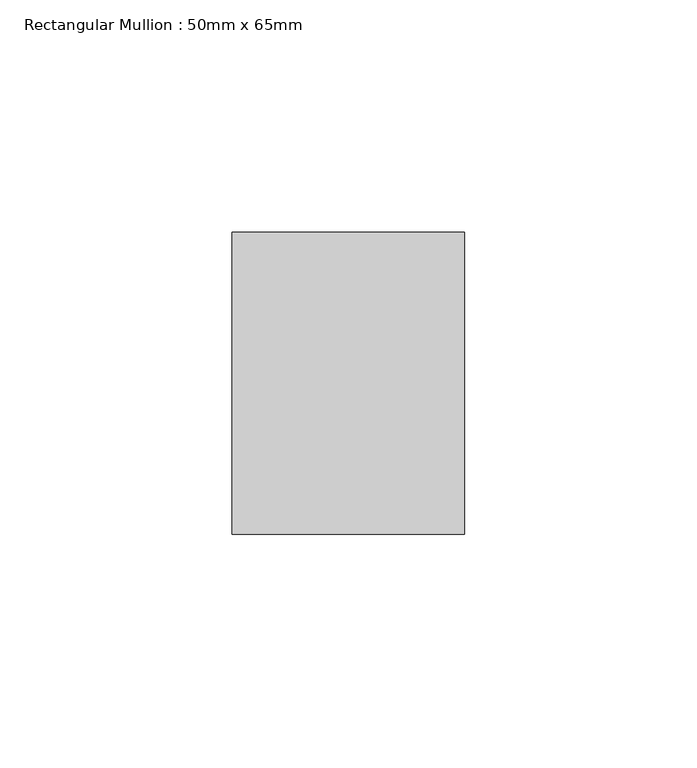
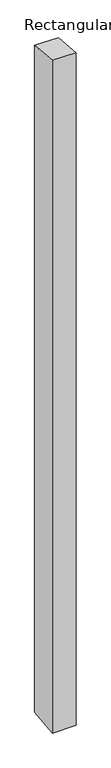
"""IFC4 building model written with IfcOpenShell, lengths in millimetres: member geometry, Rectangular Mullion : 50mm x 65mm."""

from ifc_helpers import new_model, si_unit, origin, place, context, project, spatial, faceted_brep, source, transform, mapped, element, save


def rectangular_mullion_50mm_x_65mm_752962c8(model_context):
    return source(origin(), model_context, "Body", "Brep", [
        faceted_brep([(-25.0, 32.5, -2.9911608), (25.0, 32.5, -2.9911521), (25.0, 32.5, -1496.6284007), (-25.0, 32.5, -1496.628391), (-25.0, -32.5, 2.9911521), (-25.0, -32.5, -1503.3717564), (25.0, -32.5, 2.9911608), (25.0, -32.5, -1503.3717661)], [[[0, 1, 2, 3]], [[4, 0, 3, 5]], [[6, 4, 5, 7]], [[1, 6, 7, 2]], [[1, 0, 4, 6]], [[2, 7, 5, 3]]]),
    ])


if __name__ == "__main__":
    model = new_model("IFC4")
    model_context = context("Model", 3, world=origin())
    ifc_project = project(units=[si_unit("LENGTHUNIT", "METRE", prefix="MILLI")], contexts=[model_context])
    site = spatial("IfcSite", under=ifc_project)
    building = spatial("IfcBuilding", under=site)
    placement = place(None, origin())
    rectangular_mullion_50mm_x_65mm_shape = rectangular_mullion_50mm_x_65mm_752962c8(model_context)
    element("IfcMember", 1, ObjectType="Rectangular Mullion : 50mm x 65mm", at=placement, inside=building, context=model_context, shape_type="MappedRepresentation", body=[
        mapped(rectangular_mullion_50mm_x_65mm_shape, transform((0.0, 0.0, 0.0), x_axis=(1.0, 0.0, 0.0), y_axis=(0.0, 1.0, 0.0), z_axis=(0.0, 0.0, 1.0))),
    ])
    save(model, "model.ifc")
